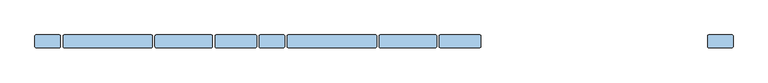
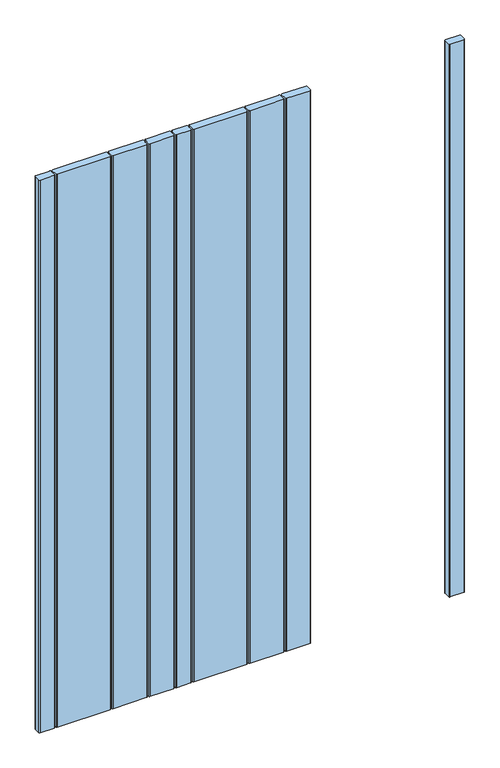
"""IFC4 building model written with IfcOpenShell, lengths in millimetres: window geometry."""

from ifc_helpers import new_model, si_unit, point, frame, frame_2d, origin, place, context, project, spatial, polyline, circle_curve, trimmed, segment, composite_curve, outline, extrude, source, transform, mapped, element, save


def window_fd11005c(model_context):
    return source(origin(), model_context, "Body", "SweptSolid", [
        extrude(outline(composite_curve([segment(trimmed(circle_curve(frame_2d((-193.5, -32.0)), 2.0), [point((-195.5, -32.0))], [point((-193.5, -30.0))], False, "CARTESIAN"), True, "CONTINUOUS"), segment(polyline([(-193.5, -30.0), (-157.5, -30.0)]), True, "CONTINUOUS"), segment(trimmed(circle_curve(frame_2d((-157.5, -32.0)), 2.0), [point((-157.5, -30.0))], [point((-155.5, -32.0))], False, "CARTESIAN"), True, "CONTINUOUS"), segment(polyline([(-155.5, -32.0), (-155.5, -48.0)]), True, "CONTINUOUS"), segment(trimmed(circle_curve(frame_2d((-157.5, -48.0)), 2.0), [point((-155.5, -48.0))], [point((-157.5, -50.0))], False, "CARTESIAN"), True, "CONTINUOUS"), segment(polyline([(-157.5, -50.0), (-193.5, -50.0)]), True, "CONTINUOUS"), segment(trimmed(circle_curve(frame_2d((-193.5, -48.0)), 2.0), [point((-193.5, -50.0))], [point((-195.5, -48.0))], False, "CARTESIAN"), True, "CONTINUOUS"), segment(polyline([(-195.5, -48.0), (-195.5, -32.0)]), True, "CONTINUOUS")], self_intersect=False)), frame((0.0, 0.0, 100.0), z_axis=(0.0, 0.0, 1.0), x_axis=(1.0, 0.0, 0.0)), (0.0, 0.0, 1.0), 1500.0),
        extrude(outline(composite_curve([segment(trimmed(circle_curve(frame_2d((-149.5, -32.0)), 2.0), [point((-151.5, -32.0))], [point((-149.5, -30.0))], False, "CARTESIAN"), True, "CONTINUOUS"), segment(polyline([(-149.5, -30.0), (-13.5, -30.0)]), True, "CONTINUOUS"), segment(trimmed(circle_curve(frame_2d((-13.5, -32.0)), 2.0), [point((-13.5, -30.0))], [point((-11.5, -32.0))], False, "CARTESIAN"), True, "CONTINUOUS"), segment(polyline([(-11.5, -32.0), (-11.5, -48.0)]), True, "CONTINUOUS"), segment(trimmed(circle_curve(frame_2d((-13.5, -48.0)), 2.0), [point((-11.5, -48.0))], [point((-13.5, -50.0))], False, "CARTESIAN"), True, "CONTINUOUS"), segment(polyline([(-13.5, -50.0), (-149.5, -50.0)]), True, "CONTINUOUS"), segment(trimmed(circle_curve(frame_2d((-149.5, -48.0)), 2.0), [point((-149.5, -50.0))], [point((-151.5, -48.0))], False, "CARTESIAN"), True, "CONTINUOUS"), segment(polyline([(-151.5, -48.0), (-151.5, -32.0)]), True, "CONTINUOUS")], self_intersect=False)), frame((0.0, 0.0, 100.0), z_axis=(0.0, 0.0, 1.0), x_axis=(1.0, 0.0, 0.0)), (0.0, 0.0, 1.0), 1500.0),
        extrude(outline(composite_curve([segment(trimmed(circle_curve(frame_2d((-5.5, -32.0)), 2.0), [point((-7.5, -32.0))], [point((-5.5, -30.0))], False, "CARTESIAN"), True, "CONTINUOUS"), segment(polyline([(-5.5, -30.0), (80.5, -30.0)]), True, "CONTINUOUS"), segment(trimmed(circle_curve(frame_2d((80.5, -32.0)), 2.0), [point((80.5, -30.0))], [point((82.5, -32.0))], False, "CARTESIAN"), True, "CONTINUOUS"), segment(polyline([(82.5, -32.0), (82.5, -48.0)]), True, "CONTINUOUS"), segment(trimmed(circle_curve(frame_2d((80.5, -48.0)), 2.0), [point((82.5, -48.0))], [point((80.5, -50.0))], False, "CARTESIAN"), True, "CONTINUOUS"), segment(polyline([(80.5, -50.0), (-5.5, -50.0)]), True, "CONTINUOUS"), segment(trimmed(circle_curve(frame_2d((-5.5, -48.0)), 2.0), [point((-5.5, -50.0))], [point((-7.5, -48.0))], False, "CARTESIAN"), True, "CONTINUOUS"), segment(polyline([(-7.5, -48.0), (-7.5, -32.0)]), True, "CONTINUOUS")], self_intersect=False)), frame((0.0, 0.0, 100.0), z_axis=(0.0, 0.0, 1.0), x_axis=(1.0, 0.0, 0.0)), (0.0, 0.0, 1.0), 1500.0),
        extrude(outline(composite_curve([segment(trimmed(circle_curve(frame_2d((88.5, -32.0)), 2.0), [point((86.5, -32.0))], [point((88.5, -30.0))], False, "CARTESIAN"), True, "CONTINUOUS"), segment(polyline([(88.5, -30.0), (149.5, -30.0)]), True, "CONTINUOUS"), segment(trimmed(circle_curve(frame_2d((149.5, -32.0)), 2.0), [point((149.5, -30.0))], [point((151.5, -32.0))], False, "CARTESIAN"), True, "CONTINUOUS"), segment(polyline([(151.5, -32.0), (151.5, -48.0)]), True, "CONTINUOUS"), segment(trimmed(circle_curve(frame_2d((149.5, -48.0)), 2.0), [point((151.5, -48.0))], [point((149.5, -50.0))], False, "CARTESIAN"), True, "CONTINUOUS"), segment(polyline([(149.5, -50.0), (88.5, -50.0)]), True, "CONTINUOUS"), segment(trimmed(circle_curve(frame_2d((88.5, -48.0)), 2.0), [point((88.5, -50.0))], [point((86.5, -48.0))], False, "CARTESIAN"), True, "CONTINUOUS"), segment(polyline([(86.5, -48.0), (86.5, -32.0)]), True, "CONTINUOUS")], self_intersect=False)), frame((0.0, 0.0, 100.0), z_axis=(0.0, 0.0, 1.0), x_axis=(1.0, 0.0, 0.0)), (0.0, 0.0, 1.0), 1500.0),
        extrude(outline(composite_curve([segment(trimmed(circle_curve(frame_2d((508.5, -32.0)), 2.0), [point((506.5, -32.0))], [point((508.5, -30.0))], False, "CARTESIAN"), True, "CONTINUOUS"), segment(polyline([(508.5, -30.0), (544.5, -30.0)]), True, "CONTINUOUS"), segment(trimmed(circle_curve(frame_2d((544.5, -32.0)), 2.0), [point((544.5, -30.0))], [point((546.5, -32.0))], False, "CARTESIAN"), True, "CONTINUOUS"), segment(polyline([(546.5, -32.0), (546.5, -48.0)]), True, "CONTINUOUS"), segment(trimmed(circle_curve(frame_2d((544.5, -48.0)), 2.0), [point((546.5, -48.0))], [point((544.5, -50.0))], False, "CARTESIAN"), True, "CONTINUOUS"), segment(polyline([(544.5, -50.0), (508.5, -50.0)]), True, "CONTINUOUS"), segment(trimmed(circle_curve(frame_2d((508.5, -48.0)), 2.0), [point((508.5, -50.0))], [point((506.5, -48.0))], False, "CARTESIAN"), True, "CONTINUOUS"), segment(polyline([(506.5, -48.0), (506.5, -32.0)]), True, "CONTINUOUS")], self_intersect=False)), frame((0.0, 0.0, 100.0), z_axis=(0.0, 0.0, 1.0), x_axis=(1.0, 0.0, 0.0)), (0.0, 0.0, 1.0), 1500.0),
        extrude(outline(composite_curve([segment(trimmed(circle_curve(frame_2d((-544.5, -32.0)), 2.0), [point((-546.5, -32.0))], [point((-544.5, -30.0))], False, "CARTESIAN"), True, "CONTINUOUS"), segment(polyline([(-544.5, -30.0), (-508.5, -30.0)]), True, "CONTINUOUS"), segment(trimmed(circle_curve(frame_2d((-508.5, -32.0)), 2.0), [point((-508.5, -30.0))], [point((-506.5, -32.0))], False, "CARTESIAN"), True, "CONTINUOUS"), segment(polyline([(-506.5, -32.0), (-506.5, -48.0)]), True, "CONTINUOUS"), segment(trimmed(circle_curve(frame_2d((-508.5, -48.0)), 2.0), [point((-506.5, -48.0))], [point((-508.5, -50.0))], False, "CARTESIAN"), True, "CONTINUOUS"), segment(polyline([(-508.5, -50.0), (-544.5, -50.0)]), True, "CONTINUOUS"), segment(trimmed(circle_curve(frame_2d((-544.5, -48.0)), 2.0), [point((-544.5, -50.0))], [point((-546.5, -48.0))], False, "CARTESIAN"), True, "CONTINUOUS"), segment(polyline([(-546.5, -48.0), (-546.5, -32.0)]), True, "CONTINUOUS")], self_intersect=False)), frame((0.0, 0.0, 100.0), z_axis=(0.0, 0.0, 1.0), x_axis=(1.0, 0.0, 0.0)), (0.0, 0.0, 1.0), 1500.0),
        extrude(outline(composite_curve([segment(trimmed(circle_curve(frame_2d((-356.5, -32.0)), 2.0), [point((-358.5, -32.0))], [point((-356.5, -30.0))], False, "CARTESIAN"), True, "CONTINUOUS"), segment(polyline([(-356.5, -30.0), (-270.5, -30.0)]), True, "CONTINUOUS"), segment(trimmed(circle_curve(frame_2d((-270.5, -32.0)), 2.0), [point((-270.5, -30.0))], [point((-268.5, -32.0))], False, "CARTESIAN"), True, "CONTINUOUS"), segment(polyline([(-268.5, -32.0), (-268.5, -48.0)]), True, "CONTINUOUS"), segment(trimmed(circle_curve(frame_2d((-270.5, -48.0)), 2.0), [point((-268.5, -48.0))], [point((-270.5, -50.0))], False, "CARTESIAN"), True, "CONTINUOUS"), segment(polyline([(-270.5, -50.0), (-356.5, -50.0)]), True, "CONTINUOUS"), segment(trimmed(circle_curve(frame_2d((-356.5, -48.0)), 2.0), [point((-356.5, -50.0))], [point((-358.5, -48.0))], False, "CARTESIAN"), True, "CONTINUOUS"), segment(polyline([(-358.5, -48.0), (-358.5, -32.0)]), True, "CONTINUOUS")], self_intersect=False)), frame((0.0, 0.0, 100.0), z_axis=(0.0, 0.0, 1.0), x_axis=(1.0, 0.0, 0.0)), (0.0, 0.0, 1.0), 1500.0),
        extrude(outline(composite_curve([segment(trimmed(circle_curve(frame_2d((-262.5, -32.0)), 2.0), [point((-264.5, -32.0))], [point((-262.5, -30.0))], False, "CARTESIAN"), True, "CONTINUOUS"), segment(polyline([(-262.5, -30.0), (-201.5, -30.0)]), True, "CONTINUOUS"), segment(trimmed(circle_curve(frame_2d((-201.5, -32.0)), 2.0), [point((-201.5, -30.0))], [point((-199.5, -32.0))], False, "CARTESIAN"), True, "CONTINUOUS"), segment(polyline([(-199.5, -32.0), (-199.5, -48.0)]), True, "CONTINUOUS"), segment(trimmed(circle_curve(frame_2d((-201.5, -48.0)), 2.0), [point((-199.5, -48.0))], [point((-201.5, -50.0))], False, "CARTESIAN"), True, "CONTINUOUS"), segment(polyline([(-201.5, -50.0), (-262.5, -50.0)]), True, "CONTINUOUS"), segment(trimmed(circle_curve(frame_2d((-262.5, -48.0)), 2.0), [point((-262.5, -50.0))], [point((-264.5, -48.0))], False, "CARTESIAN"), True, "CONTINUOUS"), segment(polyline([(-264.5, -48.0), (-264.5, -32.0)]), True, "CONTINUOUS")], self_intersect=False)), frame((0.0, 0.0, 100.0), z_axis=(0.0, 0.0, 1.0), x_axis=(1.0, 0.0, 0.0)), (0.0, 0.0, 1.0), 1500.0),
        extrude(outline(composite_curve([segment(trimmed(circle_curve(frame_2d((-500.5, -32.0)), 2.0), [point((-502.5, -32.0))], [point((-500.5, -30.0))], False, "CARTESIAN"), True, "CONTINUOUS"), segment(polyline([(-500.5, -30.0), (-364.5, -30.0)]), True, "CONTINUOUS"), segment(trimmed(circle_curve(frame_2d((-364.5, -32.0)), 2.0), [point((-364.5, -30.0))], [point((-362.5, -32.0))], False, "CARTESIAN"), True, "CONTINUOUS"), segment(polyline([(-362.5, -32.0), (-362.5, -48.0)]), True, "CONTINUOUS"), segment(trimmed(circle_curve(frame_2d((-364.5, -48.0)), 2.0), [point((-362.5, -48.0))], [point((-364.5, -50.0))], False, "CARTESIAN"), True, "CONTINUOUS"), segment(polyline([(-364.5, -50.0), (-500.5, -50.0)]), True, "CONTINUOUS"), segment(trimmed(circle_curve(frame_2d((-500.5, -48.0)), 2.0), [point((-500.5, -50.0))], [point((-502.5, -48.0))], False, "CARTESIAN"), True, "CONTINUOUS"), segment(polyline([(-502.5, -48.0), (-502.5, -32.0)]), True, "CONTINUOUS")], self_intersect=False)), frame((0.0, 0.0, 100.0), z_axis=(0.0, 0.0, 1.0), x_axis=(1.0, 0.0, 0.0)), (0.0, 0.0, 1.0), 1500.0),
    ])


if __name__ == "__main__":
    model = new_model("IFC4")
    model_context = context("Model", 3, world=origin())
    ifc_project = project(units=[si_unit("LENGTHUNIT", "METRE", prefix="MILLI")], contexts=[model_context])
    site = spatial("IfcSite", under=ifc_project)
    building = spatial("IfcBuilding", under=site)
    placement = place(None, origin())
    window_shape = window_fd11005c(model_context)
    element("IfcWindow", 1, at=placement, inside=building, context=model_context, shape_type="MappedRepresentation", body=[
        mapped(window_shape, transform((0.0, 0.0, 0.0), x_axis=(1.0, 0.0, 0.0), y_axis=(0.0, 1.0, 0.0), z_axis=(0.0, 0.0, 1.0))),
    ])
    save(model, "model.ifc")
